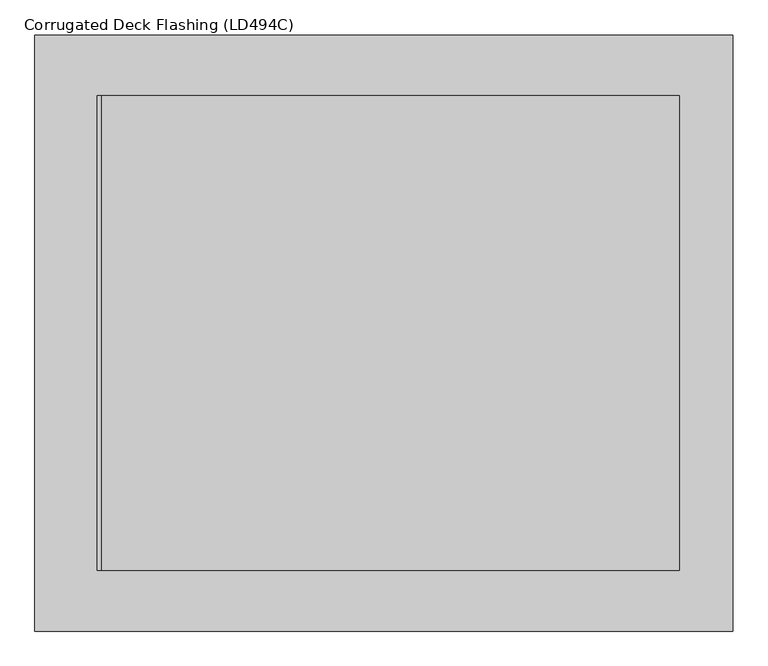
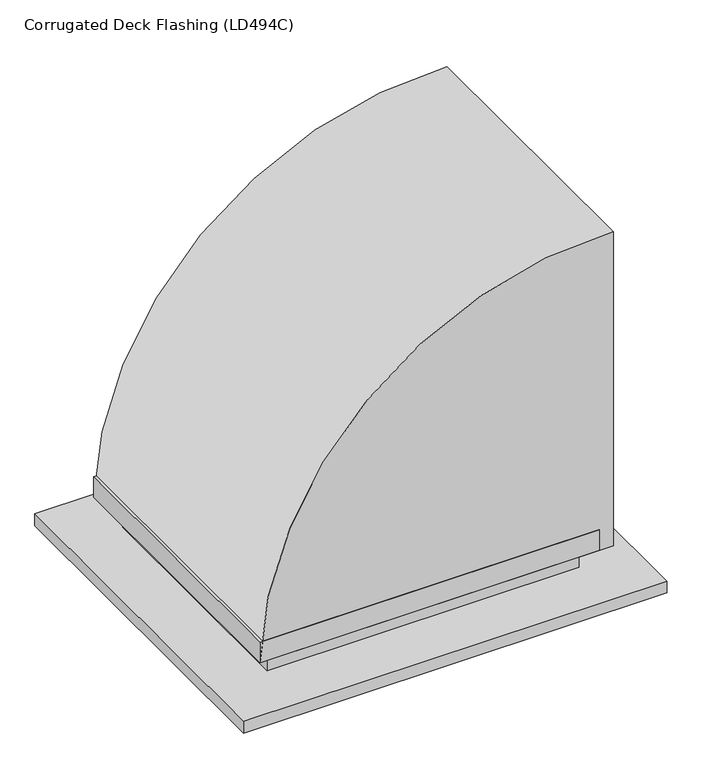
"""IFC4 building model written with IfcOpenShell, lengths in millimetres: proxy geometry, Corrugated Deck Flashing (LD494C)."""

from ifc_helpers import new_model, si_unit, point, frame, frame_2d, origin, place, context, project, spatial, polyline, circle_curve, trimmed, segment, composite_curve, outline, extrude, faceted_brep, source, transform, mapped, element, save


def corrugated_deck_flashing_ld494c_97055ee9(model_context):
    return source(origin(), model_context, "Body", "SolidModel", [
        faceted_brep([(66.0, -362.5, 146.0), (66.0, -362.5, 86.0), (66.0, -1237.5, 86.0), (66.0, -1237.5, 146.0), (91.0, -337.5, 86.0), (91.0, -337.5, 156.0), (91.0, -1262.5, 156.0), (91.0, -1262.5, 86.0), (-974.0, -1237.5, 86.0), (-974.0, -1237.5, 146.0), (-999.0, -1262.5, 156.0), (-999.0, -1262.5, 86.0), (-974.0, -362.5, 86.0), (-974.0, -362.5, 146.0), (-999.0, -337.5, 156.0), (-999.0, -337.5, 86.0)], [[[0, 1, 2, 3]], [[4, 5, 6, 7]], [[3, 2, 8, 9]], [[7, 6, 10, 11]], [[9, 8, 12, 13]], [[11, 10, 14, 15]], [[4, 7, 11, 15], [2, 1, 12, 8]], [[1, 0, 13, 12]], [[0, 3, 9, 13]], [[6, 5, 14, 10]], [[5, 4, 15, 14]]]),
        faceted_brep([(-941.0, -399.0, 134.0), (-941.0, -399.0, 1.0), (-941.0, -1201.0, 1.0), (-941.0, -1201.0, 134.0), (-969.4999872, -370.5000128, 146.0), (-969.4999872, -370.5000128, 134.0), (-969.4999872, -1229.4999872, 134.0), (-969.4999872, -1229.4999872, 146.0), (-940.0, -400.0, 146.0), (-940.0, -1200.0, 146.0), (-940.0, -1200.0, 0.0), (-940.0, -400.0, 0.0), (61.0, -1201.0, 1.0), (61.0, -1201.0, 134.0), (61.0, -1229.4999872, 134.0), (61.0, -1229.4999872, 146.0), (60.0, -1200.0, 0.0), (32.0, -1200.0, 146.0), (32.0, -1200.0, 134.0), (60.0, -1200.0, 134.0), (61.0, -399.0, 134.0), (61.0, -399.0, 1.0), (61.0, -370.5000128, 134.0), (61.0, -370.5000128, 146.0), (32.0, -400.0, 146.0), (60.0, -400.0, 0.0), (60.0, -400.0, 134.0), (32.0, -400.0, 134.0), (240.0, -219.0, 1.0), (-1120.0, -219.0, 1.0), (-1120.0, -1381.0, 1.0), (240.0, -1381.0, 1.0), (239.0, -220.0, 0.0), (239.0, -1380.0, 0.0), (-1119.0, -1380.0, 0.0), (-1119.0, -220.0, 0.0), (240.0, -219.0, -39.0), (-1120.0, -219.0, -39.0), (-1120.0, -1381.0, -39.0), (240.0, -1381.0, -39.0), (239.0, -220.0, -39.0), (-1119.0, -220.0, -39.0), (-1119.0, -1380.0, -39.0), (239.0, -1380.0, -39.0)], [[[0, 1, 2, 3]], [[4, 5, 6, 7]], [[8, 9, 10, 11]], [[3, 2, 12, 13]], [[7, 6, 14, 15]], [[16, 10, 9, 17, 18, 19]], [[20, 21, 1, 0]], [[22, 20, 0, 3, 13, 14, 6, 5]], [[23, 22, 5, 4]], [[4, 7, 15, 23], [9, 8, 24, 17]], [[11, 25, 26, 27, 24, 8]], [[28, 29, 30, 31], [2, 1, 21, 12]], [[32, 33, 34, 35], [25, 11, 10, 16]], [[29, 28, 36, 37]], [[30, 29, 37, 38]], [[31, 30, 38, 39]], [[36, 28, 31, 39]], [[25, 16, 19, 26]], [[21, 20, 22, 23, 15, 14, 13, 12]], [[17, 24, 27, 18]], [[26, 19, 18, 27]], [[36, 39, 38, 37], [40, 41, 42, 43]], [[40, 43, 33, 32]], [[43, 42, 34, 33]], [[42, 41, 35, 34]], [[41, 40, 32, 35]]]),
        extrude(outline(composite_curve([segment(trimmed(circle_curve(frame_2d((61.9403009, 90.7344314)), 1090.0), [point((1151.0, 136.0))], [point((86.0, -999.0))], False, "CARTESIAN"), True, "CONTINUOUS"), segment(polyline([(86.0, -999.0), (86.0, 136.0), (1151.0, 136.0)]), True, "CONTINUOUS")], self_intersect=False)), frame((0.0, -1262.5, 0.0), z_axis=(0.0, 1.0, 0.0), x_axis=(0.0, 0.0, 1.0)), (0.0, 0.0, 1.0), 925.0),
    ])


if __name__ == "__main__":
    model = new_model("IFC4")
    model_context = context("Model", 3, world=origin())
    ifc_project = project(units=[si_unit("LENGTHUNIT", "METRE", prefix="MILLI")], contexts=[model_context])
    site = spatial("IfcSite", under=ifc_project)
    building = spatial("IfcBuilding", under=site)
    placement = place(None, origin())
    corrugated_deck_flashing_ld494c_shape = corrugated_deck_flashing_ld494c_97055ee9(model_context)
    element("IfcBuildingElementProxy", 1, Name="Corrugated Deck Flashing (LD494C)", ObjectType="Corrugated Deck Flashing (LD494C)", at=placement, inside=building, context=model_context, shape_type="MappedRepresentation", body=[
        mapped(corrugated_deck_flashing_ld494c_shape, transform((0.0, 0.0, 0.0), x_axis=(1.0, 0.0, 0.0), y_axis=(0.0, 1.0, 0.0), z_axis=(0.0, 0.0, 1.0))),
    ])
    save(model, "model.ifc")
